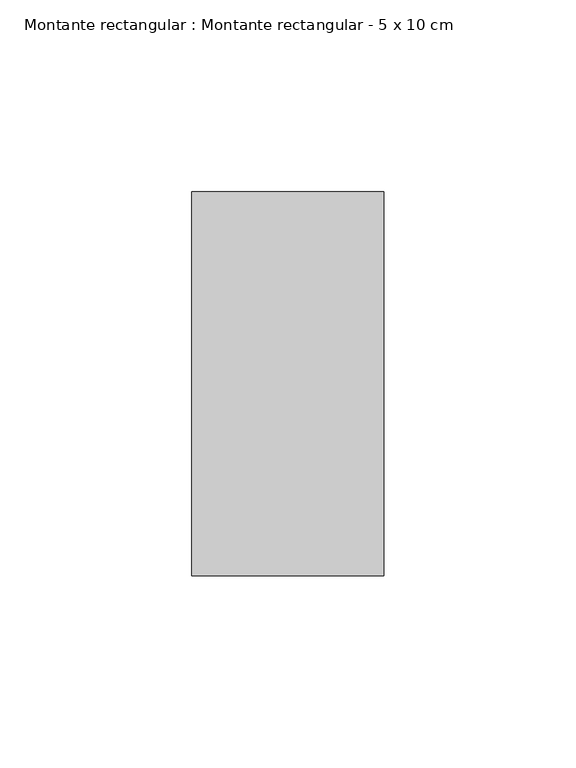
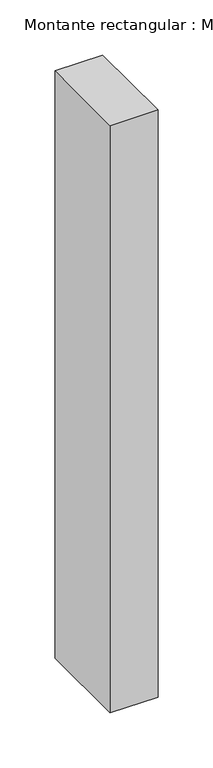
"""IFC4 building model written with IfcOpenShell, lengths in millimetres: member geometry, Montante rectangular : Montante rectangular - 5 x 10 cm."""

from ifc_helpers import new_model, si_unit, frame, origin, place, context, project, spatial, polyline, outline, extrude, source, transform, mapped, element, save


def montante_rectangular_montante_rectangular_5_x_10_cm_5c1d01da(model_context):
    return source(origin(), model_context, "Body", "SweptSolid", [
        extrude(outline(polyline([(-50.0, 50.0), (0.0, 50.0), (0.0, -50.0), (-50.0, -50.0), (-50.0, 50.0)])), frame((0.0, 0.0, -650.0), z_axis=(0.0, 0.0, 1.0), x_axis=(1.0, 0.0, 0.0)), (0.0, 0.0, 1.0), 650.0),
    ])


if __name__ == "__main__":
    model = new_model("IFC4")
    model_context = context("Model", 3, world=origin())
    ifc_project = project(units=[si_unit("LENGTHUNIT", "METRE", prefix="MILLI")], contexts=[model_context])
    site = spatial("IfcSite", under=ifc_project)
    building = spatial("IfcBuilding", under=site)
    placement = place(None, origin())
    montante_rectangular_montante_rectangular_5_x_10_cm_shape = montante_rectangular_montante_rectangular_5_x_10_cm_5c1d01da(model_context)
    element("IfcMember", 1, ObjectType="Montante rectangular : Montante rectangular - 5 x 10 cm", at=placement, inside=building, context=model_context, shape_type="MappedRepresentation", body=[
        mapped(montante_rectangular_montante_rectangular_5_x_10_cm_shape, transform((0.0, 0.0, 0.0), x_axis=(1.0, 0.0, 0.0), y_axis=(0.0, 1.0, 0.0), z_axis=(0.0, 0.0, 1.0))),
    ])
    save(model, "model.ifc")
